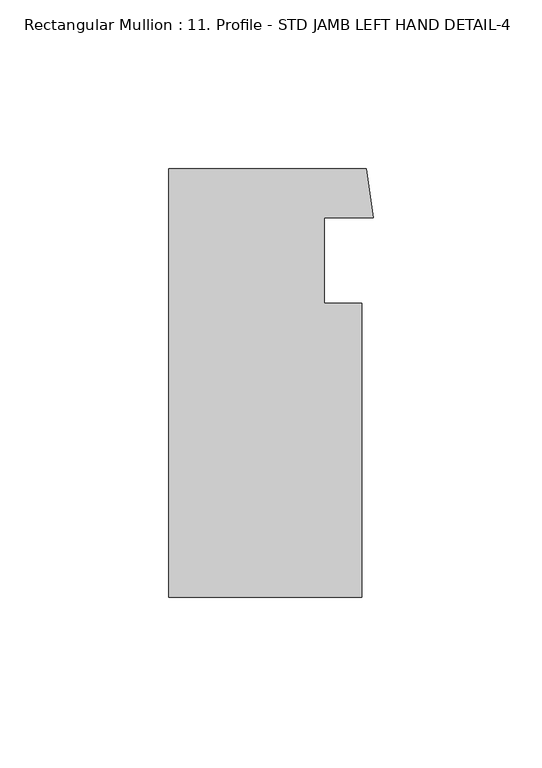
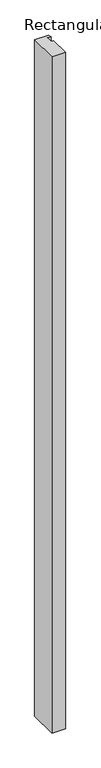
"""IFC4 building model written with IfcOpenShell, lengths in millimetres: member geometry, Rectangular Mullion : 11. Profile - STD JAMB LEFT HAND DETAIL-4."""

from ifc_helpers import new_model, si_unit, frame, origin, place, context, project, spatial, polyline, outline, extrude, source, transform, mapped, element, save


def rectangular_mullion_11_profile_std_jamb_left_hand_detail_4_2dfdc57e(model_context):
    return source(origin(), model_context, "Body", "SweptSolid", [
        extrude(outline(polyline([(-3.4014101, 18.6926869), (-3.4014101, -68.4037881), (-60.5514101, -68.4037881), (-60.5514101, 58.5962119), (-2.0610278, 58.5962119), (0.0, 44.0545155), (-14.5139101, 44.0545155), (-14.5139101, 18.6926869), (-3.4014101, 18.6926869)])), frame((0.0, 0.0, -3048.0), z_axis=(0.0, 0.0, 1.0), x_axis=(1.0, 0.0, 0.0)), (0.0, 0.0, 1.0), 3048.0),
    ])


if __name__ == "__main__":
    model = new_model("IFC4")
    model_context = context("Model", 3, world=origin())
    ifc_project = project(units=[si_unit("LENGTHUNIT", "METRE", prefix="MILLI")], contexts=[model_context])
    site = spatial("IfcSite", under=ifc_project)
    building = spatial("IfcBuilding", under=site)
    placement = place(None, origin())
    rectangular_mullion_11_profile_std_jamb_left_hand_detail_4_shape = rectangular_mullion_11_profile_std_jamb_left_hand_detail_4_2dfdc57e(model_context)
    element("IfcMember", 1, ObjectType="Rectangular Mullion : 11. Profile - STD JAMB LEFT HAND DETAIL-4", at=placement, inside=building, context=model_context, shape_type="MappedRepresentation", body=[
        mapped(rectangular_mullion_11_profile_std_jamb_left_hand_detail_4_shape, transform((0.0, 0.0, 0.0), x_axis=(1.0, 0.0, 0.0), y_axis=(0.0, 1.0, 0.0), z_axis=(0.0, 0.0, 1.0))),
    ])
    save(model, "model.ifc")
